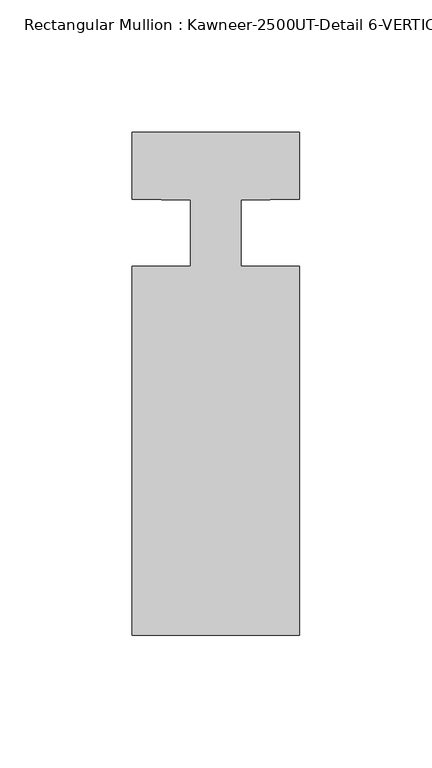
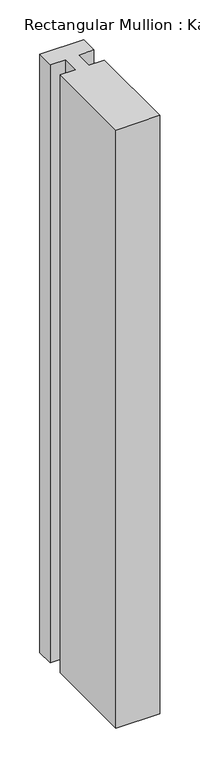
"""IFC4 building model written with IfcOpenShell, lengths in millimetres: member geometry, Rectangular Mullion : Kawneer-2500UT-Detail 6-VERTICAL MULLION-1 INCH INFILL."""

import ifcopenshell
import ifcopenshell.guid

model = None  # the IFC model being written
_history = None  # IfcOwnerHistory: only IFC2X3 demands one
_inside = {}  # id of a spatial element -> (the spatial element, [elements in it])
_under = {}  # id of a project, library or spatial element -> (it, [spatial elements below it])
_declared = {}  # id of a project -> (the project, [libraries it declares])
_typed = {}  # id of a type object -> (the type object, [elements of that type])
_made_of = {}  # id of a material, layer set ... -> (it, [elements and type objects made of it])


def new_model(schema):
    """Start an empty IFC model of exactly this schema.

    Asked for "IFC4X3", IfcOpenShell would pick the latest addendum, in which some entities
    have other attributes; the version numbers below select the first issue.
    IFC2X3 requires an IfcOwnerHistory on every rooted entity: one is made here for all.
    """
    global model, _history
    if schema == "IFC4X3":
        model = ifcopenshell.file(schema_version=(4, 3, 0, 0))
    else:
        model = ifcopenshell.file(schema=schema)
    _inside.clear()
    _under.clear()
    _declared.clear()
    _typed.clear()
    _made_of.clear()
    _history = None
    if model.schema == "IFC2X3":
        org = make("IfcOrganization", Name="unknown")
        user = make(
            "IfcPersonAndOrganization",
            ThePerson=make("IfcPerson", FamilyName="unknown"),
            TheOrganization=org,
        )
        app = make(
            "IfcApplication",
            ApplicationDeveloper=org,
            Version="unknown",
            ApplicationFullName="unknown",
            ApplicationIdentifier="unknown",
        )
        _history = make(
            "IfcOwnerHistory",
            OwningUser=user,
            OwningApplication=app,
            ChangeAction="ADDED",
            CreationDate=0,
        )
    return model


def make(cls, **values):
    """One entity of the class cls with the attributes given. An attribute that is None is left unset."""
    return model.create_entity(
        cls, **{name: value for name, value in values.items() if value is not None}
    )


def rooted(cls, **values):
    """An entity with a GlobalId (a new one), such as an element, a storey or a relation."""
    return make(cls, GlobalId=ifcopenshell.guid.new(), OwnerHistory=_history, **values)


def si_unit(unit_type, name, prefix=None):
    """IfcSIUnit, for example si_unit("LENGTHUNIT", "METRE", prefix="MILLI")."""
    return make("IfcSIUnit", UnitType=unit_type, Prefix=prefix, Name=name)


def assignment(units):
    """IfcUnitAssignment: the units of a project."""
    return None if units is None else make("IfcUnitAssignment", Units=units)


def point(xyz):
    """IfcCartesianPoint."""
    return None if xyz is None else make("IfcCartesianPoint", Coordinates=xyz)


def direction(xyz):
    """IfcDirection."""
    return None if xyz is None else make("IfcDirection", DirectionRatios=xyz)


def frame(location, z_axis=None, x_axis=None):
    """IfcAxis2Placement3D, a coordinate frame: its origin and axes. An axis left out is left unset."""
    return make(
        "IfcAxis2Placement3D",
        Location=point(location),
        Axis=direction(z_axis),
        RefDirection=direction(x_axis),
    )


def frame_2d(location, x_axis=None):
    """IfcAxis2Placement2D, a coordinate frame in the plane: its origin and x axis."""
    return make(
        "IfcAxis2Placement2D", Location=point(location), RefDirection=direction(x_axis)
    )


def origin():
    """The frame at (0, 0, 0) with its axes left unset."""
    return frame((0.0, 0.0, 0.0))


def place(relative_to, where):
    """IfcLocalPlacement: puts the frame where relative to a parent placement (None: the world)."""
    return make(
        "IfcLocalPlacement", PlacementRelTo=relative_to, RelativePlacement=where
    )


def context(
    kind, dimensions, precision=None, world=None, true_north=None, identifier=None
):
    """IfcGeometricRepresentationContext, for example the 3D "Model" context."""
    return make(
        "IfcGeometricRepresentationContext",
        ContextIdentifier=identifier,
        ContextType=kind,
        CoordinateSpaceDimension=dimensions,
        Precision=precision,
        WorldCoordinateSystem=world,
        TrueNorth=true_north,
    )


def project(units=None, contexts=None):
    """IfcProject with its units and contexts."""
    return rooted(
        "IfcProject",
        Name="project",
        RepresentationContexts=contexts,
        UnitsInContext=assignment(units),
    )


def spatial(cls, under=None, at=None, **own):
    """A site, building, storey or space (cls), placed at a placement, below another one or the project."""
    s = rooted(cls, ObjectPlacement=at, **own)
    if under is not None:
        _under.setdefault(under.id(), (under, []))[1].append(s)
    return s


def polyline(points):
    """IfcPolyline through the points."""
    return make("IfcPolyline", Points=[point(p) for p in points])


def circle_curve(where, radius):
    """IfcCircle in the frame where."""
    return make("IfcCircle", Position=where, Radius=radius)


def trimmed(basis, trim1, trim2, sense, master):
    """IfcTrimmedCurve: the piece of a basis curve between two trims."""
    return make(
        "IfcTrimmedCurve",
        BasisCurve=basis,
        Trim1=trim1,
        Trim2=trim2,
        SenseAgreement=sense,
        MasterRepresentation=master,
    )


def segment(curve, same_sense, transition):
    """IfcCompositeCurveSegment."""
    return make(
        "IfcCompositeCurveSegment",
        Transition=transition,
        SameSense=same_sense,
        ParentCurve=curve,
    )


def composite_curve(segments, self_intersect=None):
    """IfcCompositeCurve: segments joined end to end."""
    return make("IfcCompositeCurve", Segments=segments, SelfIntersect=self_intersect)


def outline(outer, holes=None, kind="AREA"):
    """IfcArbitraryClosedProfileDef: a profile drawn as a closed curve; with holes, ...WithVoids."""
    if holes is None:
        return make("IfcArbitraryClosedProfileDef", ProfileType=kind, OuterCurve=outer)
    return make(
        "IfcArbitraryProfileDefWithVoids",
        ProfileType=kind,
        OuterCurve=outer,
        InnerCurves=holes,
    )


def extrude(swept, where, along, depth):
    """IfcExtrudedAreaSolid: the profile swept, set in the frame where, extruded along a direction by depth."""
    return make(
        "IfcExtrudedAreaSolid",
        SweptArea=swept,
        Position=where,
        ExtrudedDirection=direction(along),
        Depth=depth,
    )


def shape(context_of_items, identifier, shape_type, items):
    """IfcShapeRepresentation: the items that make up one representation, for example the "Body"."""
    return make(
        "IfcShapeRepresentation",
        ContextOfItems=context_of_items,
        RepresentationIdentifier=identifier,
        RepresentationType=shape_type,
        Items=items,
    )


def source(mapping_origin, context_of_items, identifier, shape_type, items):
    """IfcRepresentationMap: a shape defined once, which mapped items show again and again."""
    return make(
        "IfcRepresentationMap",
        MappingOrigin=mapping_origin,
        MappedRepresentation=shape(context_of_items, identifier, shape_type, items),
    )


def transform(
    local_origin,
    x_axis=None,
    y_axis=None,
    z_axis=None,
    scale=None,
    scale2=None,
    scale3=None,
    uniform=True,
):
    """IfcCartesianTransformationOperator3D, or its non-uniform kind. x_axis, y_axis, z_axis: its Axis1, 2, 3."""
    if uniform:
        return make(
            "IfcCartesianTransformationOperator3D",
            Axis1=direction(x_axis),
            Axis2=direction(y_axis),
            LocalOrigin=point(local_origin),
            Scale=scale,
            Axis3=direction(z_axis),
        )
    return make(
        "IfcCartesianTransformationOperator3DnonUniform",
        Axis1=direction(x_axis),
        Axis2=direction(y_axis),
        LocalOrigin=point(local_origin),
        Scale=scale,
        Axis3=direction(z_axis),
        Scale2=scale2,
        Scale3=scale3,
    )


def mapped(mapping_source, mapping_target):
    """IfcMappedItem: shows the shape of a source again, moved by a transform."""
    return make(
        "IfcMappedItem", MappingSource=mapping_source, MappingTarget=mapping_target
    )


def made_of(thing, what):
    """Note that an element or type object is made of a material, layer set ...; save() writes the relation."""
    if what is not None:
        _made_of.setdefault(what.id(), (what, []))[1].append(thing)
    return thing


def element(
    cls,
    number,
    at=None,
    inside=None,
    cuts=None,
    type_object=None,
    material=None,
    context=None,
    identifier="Body",
    shape_type=None,
    held_by="IfcProductDefinitionShape",
    body=None,
    shapes=None,
    **own,
):
    """One element of the class cls, such as IfcWall. Its Tag is "e" and its number.

    at: its placement. inside: the storey or other place that contains it. cuts: it is an
    opening in that element (IfcRelVoidsElement). A single representation is given by context,
    identifier, shape_type and body (its items); several are given by shapes. held_by: the class
    of the entity that holds the representations. save() writes the other relations.
    """
    e = rooted(cls, Tag="e%d" % number, ObjectPlacement=at, **own)
    if body is not None:
        shapes = [shape(context, identifier, shape_type, body)]
    if shapes is not None:
        e.Representation = make(held_by, Representations=shapes)
    if inside is not None:
        _inside.setdefault(inside.id(), (inside, []))[1].append(e)
    if cuts is not None:
        rooted(
            "IfcRelVoidsElement", RelatingBuildingElement=cuts, RelatedOpeningElement=e
        )
    if type_object is not None:
        _typed.setdefault(type_object.id(), (type_object, []))[1].append(e)
    return made_of(e, material)


def aggregate(whole, parts):
    """IfcRelAggregates: a whole, such as a stair, and the parts it consists of."""
    return rooted("IfcRelAggregates", RelatingObject=whole, RelatedObjects=parts)


def save(model, path):
    """Write the relations noted so far, then the file.

    IfcRelAggregates (storeys below a building ...), IfcRelContainedInSpatialStructure (elements
    in a storey), IfcRelDefinesByType, IfcRelAssociatesMaterial and IfcRelDeclares: one each for
    every whole, place, type object, material and project.
    """
    for whole, parts in _under.values():
        aggregate(whole, parts)
    for where, things in _inside.values():
        rooted(
            "IfcRelContainedInSpatialStructure",
            RelatedElements=things,
            RelatingStructure=where,
        )
    for kind, things in _typed.values():
        rooted("IfcRelDefinesByType", RelatedObjects=things, RelatingType=kind)
    for what, things in _made_of.values():
        rooted("IfcRelAssociatesMaterial", RelatedObjects=things, RelatingMaterial=what)
    for by, libraries in _declared.values():
        rooted("IfcRelDeclares", RelatingContext=by, RelatedDefinitions=libraries)
    model.write(path)


def rectangular_mullion_kawneer_2500ut_detail_6_vertical_mullion_0306324e(model_context):
    return source(origin(), model_context, "Body", "SweptSolid", [
        extrude(outline(composite_curve([segment(polyline([(-31.75, -165.099995), (-31.75, -25.4), (-9.5251132, -25.4), (-9.5251132, -0.3176283)]), True, "CONTINUOUS"), segment(trimmed(circle_curve(frame_2d((-27.4492482, -461.0078197)), 461.0387479), [point((-9.5251132, -0.3176283))], [point((-31.75, 0.0108682))], True, "CARTESIAN"), True, "CONTINUOUS"), segment(polyline([(-31.75, 0.0108682), (-31.75, 25.4), (31.75, 25.4), (31.75, 0.0108682)]), True, "CONTINUOUS"), segment(trimmed(circle_curve(frame_2d((27.4492482, -461.0078197)), 461.0387479), [point((31.75, 0.0108682))], [point((9.5251132, -0.3176283))], True, "CARTESIAN"), True, "CONTINUOUS"), segment(polyline([(9.5251132, -0.3176283), (9.5251132, -25.4), (31.75, -25.4), (31.75, -165.099995), (-31.75, -165.099995)]), True, "CONTINUOUS")], self_intersect=False)), frame((0.0, 0.0, -914.4), z_axis=(0.0, 0.0, 1.0), x_axis=(1.0, 0.0, 0.0)), (0.0, 0.0, 1.0), 914.4),
    ])


if __name__ == "__main__":
    model = new_model("IFC4")
    model_context = context("Model", 3, world=origin())
    ifc_project = project(units=[si_unit("LENGTHUNIT", "METRE", prefix="MILLI")], contexts=[model_context])
    site = spatial("IfcSite", under=ifc_project)
    building = spatial("IfcBuilding", under=site)
    placement = place(None, origin())
    rectangular_mullion_kawneer_2500ut_detail_6_vertical_mullion_shape = rectangular_mullion_kawneer_2500ut_detail_6_vertical_mullion_0306324e(model_context)
    element("IfcMember", 1, ObjectType="Rectangular Mullion : Kawneer-2500UT-Detail 6-VERTICAL MULLION-1 INCH INFILL", at=placement, inside=building, context=model_context, shape_type="MappedRepresentation", body=[
        mapped(rectangular_mullion_kawneer_2500ut_detail_6_vertical_mullion_shape, transform((0.0, 0.0, 0.0), x_axis=(1.0, 0.0, 0.0), y_axis=(0.0, 1.0, 0.0), z_axis=(0.0, 0.0, 1.0))),
    ])
    save(model, "model.ifc")
